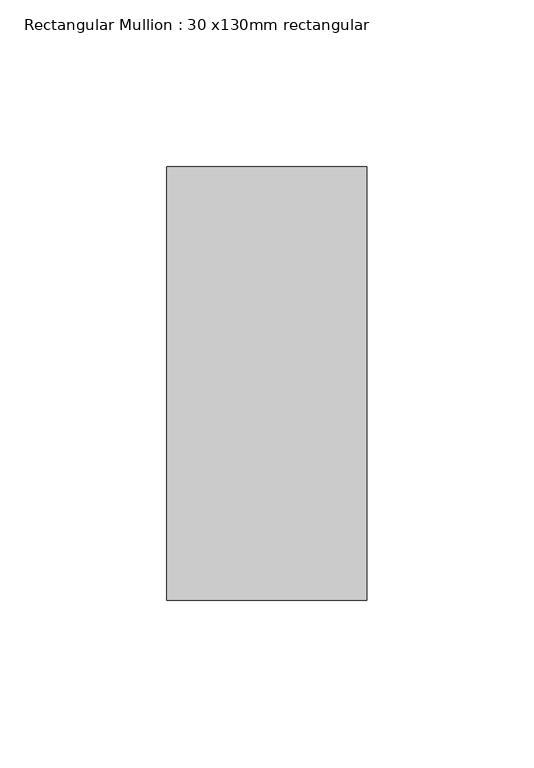
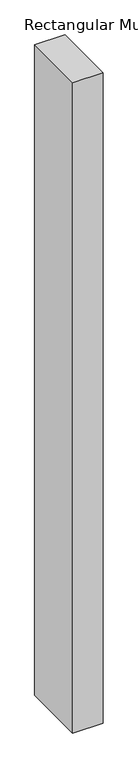
"""IFC4 building model written with IfcOpenShell, lengths in millimetres: member geometry, Rectangular Mullion : 30 x130mm rectangular."""

from ifc_helpers import new_model, si_unit, frame, origin, place, context, project, spatial, polyline, outline, extrude, source, transform, mapped, element, save


def rectangular_mullion_30_x130mm_rectangular_ae09bdf6(model_context):
    return source(origin(), model_context, "Body", "SweptSolid", [
        extrude(outline(polyline([(0.0, 65.0), (0.0, -65.0), (-60.0, -65.0), (-60.0, 65.0), (0.0, 65.0)])), frame((0.0, 0.0, -1355.7142857), z_axis=(0.0, 0.0, 1.0), x_axis=(1.0, 0.0, 0.0)), (0.0, 0.0, 1.0), 1355.7142857),
    ])


if __name__ == "__main__":
    model = new_model("IFC4")
    model_context = context("Model", 3, world=origin())
    ifc_project = project(units=[si_unit("LENGTHUNIT", "METRE", prefix="MILLI")], contexts=[model_context])
    site = spatial("IfcSite", under=ifc_project)
    building = spatial("IfcBuilding", under=site)
    placement = place(None, origin())
    rectangular_mullion_30_x130mm_rectangular_shape = rectangular_mullion_30_x130mm_rectangular_ae09bdf6(model_context)
    element("IfcMember", 1, ObjectType="Rectangular Mullion : 30 x130mm rectangular", at=placement, inside=building, context=model_context, shape_type="MappedRepresentation", body=[
        mapped(rectangular_mullion_30_x130mm_rectangular_shape, transform((0.0, 0.0, 0.0), x_axis=(1.0, 0.0, 0.0), y_axis=(0.0, 1.0, 0.0), z_axis=(0.0, 0.0, 1.0))),
    ])
    save(model, "model.ifc")
